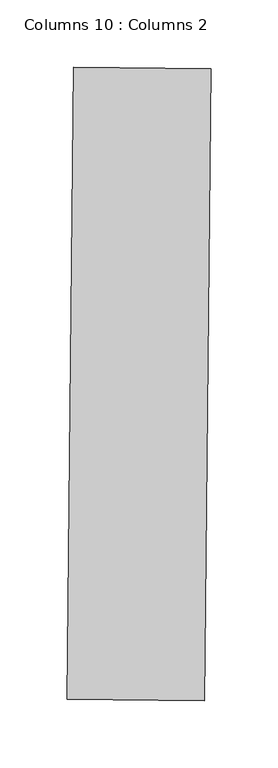
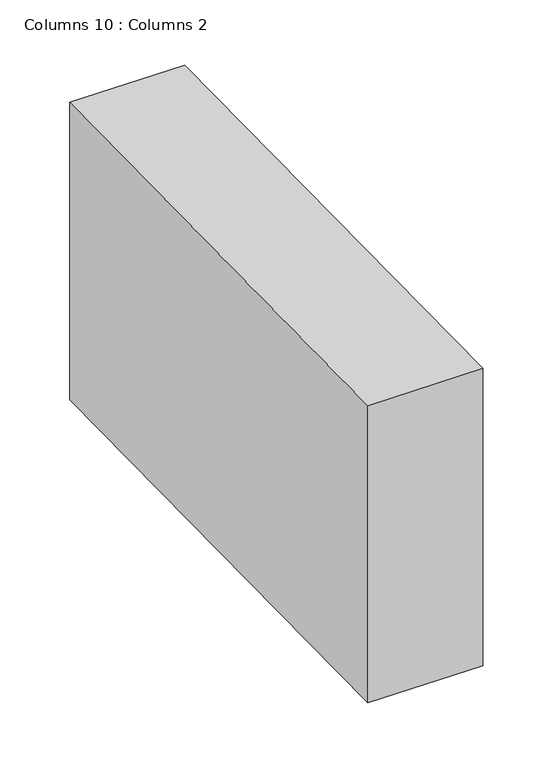
"""IFC4 building model written with IfcOpenShell, lengths in millimetres: column geometry, Columns 10 : Columns 2."""

from ifc_helpers import new_model, si_unit, frame, origin, place, context, project, spatial, polyline, outline, extrude, source, transform, mapped, element, save


def columns_10_columns_2_8ce1f6ad(model_context):
    return source(origin(), model_context, "Body", "SweptSolid", [
        extrude(outline(polyline([(-40906.8302901, 39147.549567), (-40902.1197642, 39617.0319852), (-40800.0252017, 39616.007625), (-40804.7357276, 39146.5252068), (-40906.8302901, 39147.549567)])), frame((0.0, 0.0, 108514.2514442), z_axis=(0.0, 0.0, 1.0), x_axis=(1.0, 0.0, 0.0)), (0.0, 0.0, 1.0), 280.6814224),
    ])


if __name__ == "__main__":
    model = new_model("IFC4")
    model_context = context("Model", 3, world=origin())
    ifc_project = project(units=[si_unit("LENGTHUNIT", "METRE", prefix="MILLI")], contexts=[model_context])
    site = spatial("IfcSite", under=ifc_project)
    building = spatial("IfcBuilding", under=site)
    placement = place(None, origin())
    columns_10_columns_2_shape = columns_10_columns_2_8ce1f6ad(model_context)
    element("IfcColumn", 1, ObjectType="Columns 10 : Columns 2", at=placement, inside=building, context=model_context, shape_type="MappedRepresentation", body=[
        mapped(columns_10_columns_2_shape, transform((0.0, 0.0, 0.0), x_axis=(1.0, 0.0, 0.0), y_axis=(0.0, 1.0, 0.0), z_axis=(0.0, 0.0, 1.0))),
    ])
    save(model, "model.ifc")
